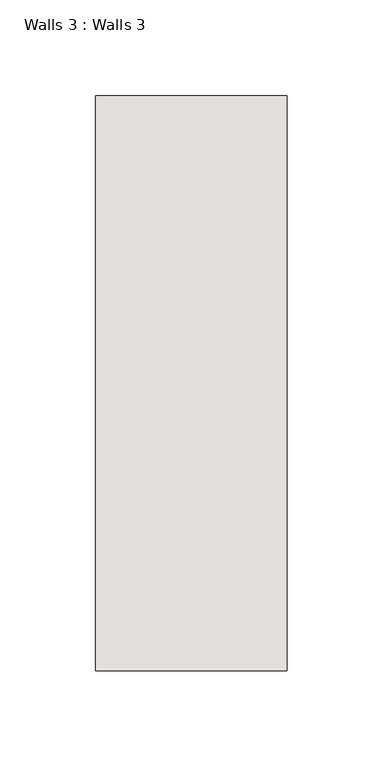
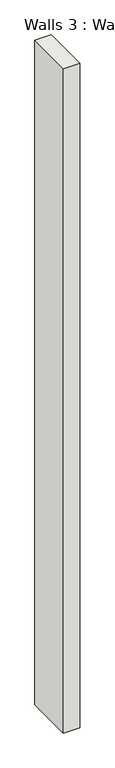
"""IFC4 building model written with IfcOpenShell, lengths in millimetres: wall geometry, Walls 3 : Walls 3."""

from ifc_helpers import new_model, si_unit, origin, origin_with_axes, place, context, project, spatial, polyline, outline, extrude, source, transform, mapped, element, save


def walls_3_walls_3_639fb0ab(model_context):
    return source(origin(), model_context, "Body", "SweptSolid", [
        extrude(outline(polyline([(-8612.3812655, 1518.41264), (-8612.3812655, 1818.41264), (-8512.3812655, 1818.41264), (-8512.3812655, 1518.41264), (-8612.3812655, 1518.41264)])), origin_with_axes(), (0.0, 0.0, 1.0), 4281.8460479),
    ])


if __name__ == "__main__":
    model = new_model("IFC4")
    model_context = context("Model", 3, world=origin())
    ifc_project = project(units=[si_unit("LENGTHUNIT", "METRE", prefix="MILLI")], contexts=[model_context])
    site = spatial("IfcSite", under=ifc_project)
    building = spatial("IfcBuilding", under=site)
    placement = place(None, origin())
    walls_3_walls_3_shape = walls_3_walls_3_639fb0ab(model_context)
    element("IfcWall", 1, ObjectType="Walls 3 : Walls 3", at=placement, inside=building, context=model_context, shape_type="MappedRepresentation", body=[
        mapped(walls_3_walls_3_shape, transform((0.0, 0.0, 0.0), x_axis=(1.0, 0.0, 0.0), y_axis=(0.0, 1.0, 0.0), z_axis=(0.0, 0.0, 1.0))),
    ])
    save(model, "model.ifc")
